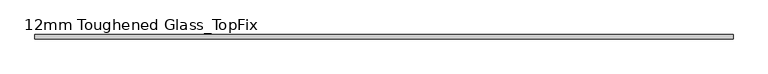
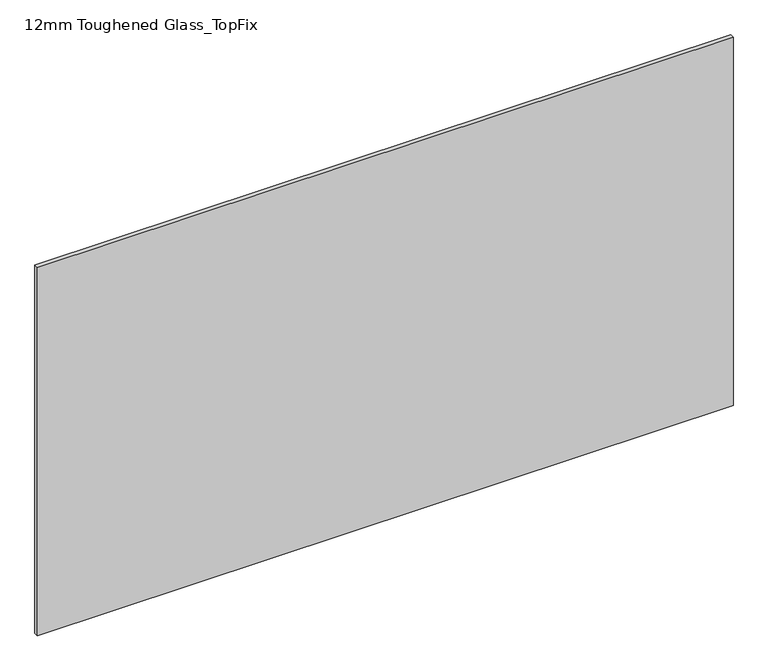
"""IFC4 building model written with IfcOpenShell, lengths in millimetres: plate geometry, 12mm Toughened Glass_TopFix."""

from ifc_helpers import new_model, si_unit, origin, origin_with_axes, place, context, project, spatial, polyline, outline, extrude, source, transform, mapped, element, save


def plate_12mm_toughened_glass_topfix_4be74c9b(model_context):
    return source(origin(), model_context, "Body", "SweptSolid", [
        extrude(outline(polyline([(945.0000001, 6.0), (945.0000001, -6.0), (-945.0000001, -6.0), (-945.0000001, 6.0), (945.0000001, 6.0)])), origin_with_axes(), (0.0, 0.0, 1.0), 1058.0),
    ])


if __name__ == "__main__":
    model = new_model("IFC4")
    model_context = context("Model", 3, world=origin())
    ifc_project = project(units=[si_unit("LENGTHUNIT", "METRE", prefix="MILLI")], contexts=[model_context])
    site = spatial("IfcSite", under=ifc_project)
    building = spatial("IfcBuilding", under=site)
    placement = place(None, origin())
    plate_12mm_toughened_glass_topfix_shape = plate_12mm_toughened_glass_topfix_4be74c9b(model_context)
    element("IfcPlate", 1, ObjectType="12mm Toughened Glass_TopFix", at=placement, inside=building, context=model_context, shape_type="MappedRepresentation", body=[
        mapped(plate_12mm_toughened_glass_topfix_shape, transform((0.0, 0.0, 0.0), x_axis=(1.0, 0.0, 0.0), y_axis=(0.0, 1.0, 0.0), z_axis=(0.0, 0.0, 1.0))),
    ])
    save(model, "model.ifc")
